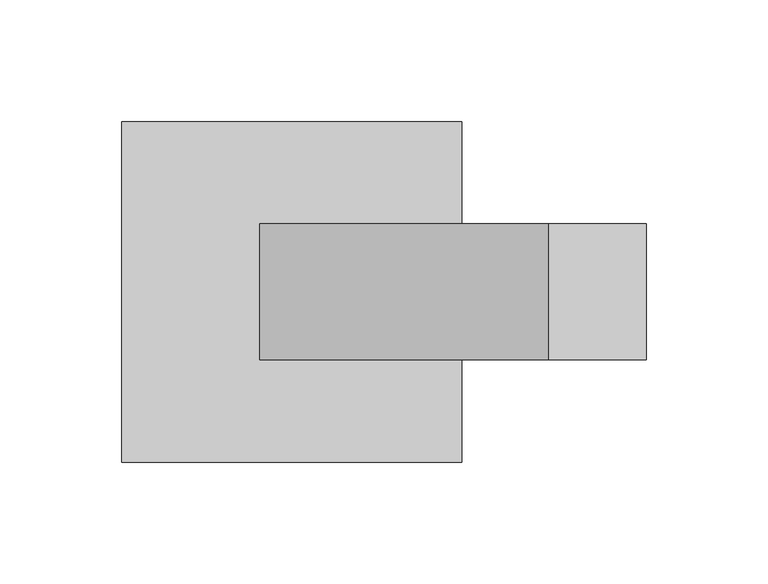
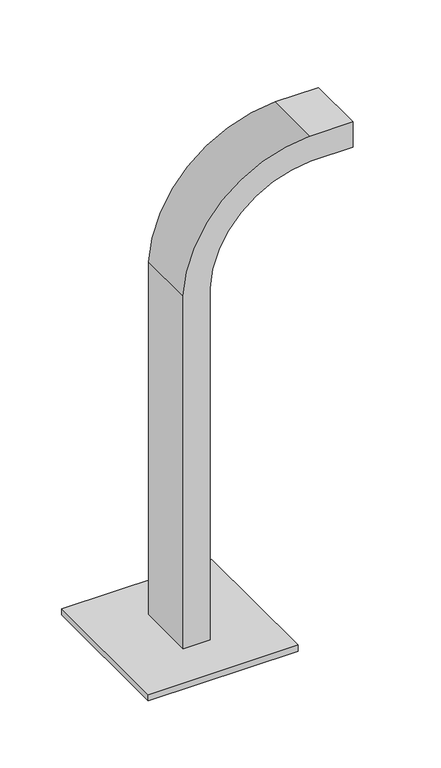
"""IFC4 building model written with IfcOpenShell, lengths in millimetres: furniture geometry."""

from ifc_helpers import new_model, si_unit, point, frame, frame_2d, origin, origin_with_axes, place, context, project, spatial, polyline, circle_curve, trimmed, segment, composite_curve, outline, extrude, source, transform, mapped, element, save


def furniture_6714bffb(model_context):
    return source(origin(), model_context, "Body", "SweptSolid", [
        extrude(outline(composite_curve([segment(polyline([(359.4420469, -733.0547414), (11.0, -733.0547414), (11.0, -708.0547414), (358.7575366, -708.0547414)]), True, "CONTINUOUS"), segment(trimmed(circle_curve(frame_2d((353.0696692, -610.1651072)), 98.0547414), [point((358.7575366, -708.0547414))], [point((451.0547414, -613.8607731))], True, "CARTESIAN"), True, "CONTINUOUS"), segment(polyline([(451.0547414, -613.8607731), (451.0547414, -574.0794885), (476.0547414, -574.0794885), (476.0547414, -614.3053257)]), True, "CONTINUOUS"), segment(trimmed(circle_curve(frame_2d((353.0696692, -610.1651072)), 123.0547414), [point((476.0547414, -614.3053257))], [point((359.4420469, -733.0547414))], False, "CARTESIAN"), True, "CONTINUOUS")], self_intersect=False)), frame((0.0, -27.920928, 0.0), z_axis=(0.0, 1.0, 0.0), x_axis=(0.0, 0.0, 1.0)), (0.0, 0.0, 1.0), 55.8418559),
        extrude(outline(composite_curve([segment(trimmed(circle_curve(frame_2d((-778.0500045, -58.0314537)), 5.0), [point((-783.0500045, -58.0314537))], [point((-773.0500045, -58.0314537))], False, "CARTESIAN"), True, "CONTINUOUS"), segment(trimmed(circle_curve(frame_2d((-778.0500045, -58.0314537)), 5.0), [point((-773.0500045, -58.0314537))], [point((-783.0500045, -58.0314537))], False, "CARTESIAN"), True, "CONTINUOUS")], self_intersect=False)), origin_with_axes(), (0.0, 0.0, 1.0), 5.0),
        extrude(outline(composite_curve([segment(trimmed(circle_curve(frame_2d((-661.9499955, -58.0314537)), 5.0), [point((-666.9499955, -58.0314537))], [point((-656.9499955, -58.0314537))], False, "CARTESIAN"), True, "CONTINUOUS"), segment(trimmed(circle_curve(frame_2d((-661.9499955, -58.0314537)), 5.0), [point((-656.9499955, -58.0314537))], [point((-666.9499955, -58.0314537))], False, "CARTESIAN"), True, "CONTINUOUS")], self_intersect=False)), origin_with_axes(), (0.0, 0.0, 1.0), 5.0),
        extrude(outline(composite_curve([segment(trimmed(circle_curve(frame_2d((-778.0500045, 58.0314537)), 5.0), [point((-783.0500045, 58.0314537))], [point((-773.0500045, 58.0314537))], False, "CARTESIAN"), True, "CONTINUOUS"), segment(trimmed(circle_curve(frame_2d((-778.0500045, 58.0314537)), 5.0), [point((-773.0500045, 58.0314537))], [point((-783.0500045, 58.0314537))], False, "CARTESIAN"), True, "CONTINUOUS")], self_intersect=False)), origin_with_axes(), (0.0, 0.0, 1.0), 5.0),
        extrude(outline(composite_curve([segment(trimmed(circle_curve(frame_2d((-661.9499955, 58.0314537)), 5.0), [point((-666.9499955, 58.0314537))], [point((-656.9499955, 58.0314537))], False, "CARTESIAN"), True, "CONTINUOUS"), segment(trimmed(circle_curve(frame_2d((-661.9499955, 58.0314537)), 5.0), [point((-656.9499955, 58.0314537))], [point((-666.9499955, 58.0314537))], False, "CARTESIAN"), True, "CONTINUOUS")], self_intersect=False)), origin_with_axes(), (0.0, 0.0, 1.0), 5.0),
        extrude(outline(polyline([(-650.0, -70.0), (-790.0, -70.0), (-790.0, 70.0), (-650.0, 70.0), (-650.0, -70.0)])), frame((0.0, 0.0, 5.0), z_axis=(0.0, 0.0, 1.0), x_axis=(1.0, 0.0, 0.0)), (0.0, 0.0, 1.0), 6.0),
    ])


if __name__ == "__main__":
    model = new_model("IFC4")
    model_context = context("Model", 3, world=origin())
    ifc_project = project(units=[si_unit("LENGTHUNIT", "METRE", prefix="MILLI")], contexts=[model_context])
    site = spatial("IfcSite", under=ifc_project)
    building = spatial("IfcBuilding", under=site)
    placement = place(None, origin())
    furniture_shape = furniture_6714bffb(model_context)
    element("IfcFurniture", 1, at=placement, inside=building, context=model_context, shape_type="MappedRepresentation", body=[
        mapped(furniture_shape, transform((0.0, 0.0, 0.0), x_axis=(1.0, 0.0, 0.0), y_axis=(0.0, 1.0, 0.0), z_axis=(0.0, 0.0, 1.0))),
    ])
    save(model, "model.ifc")
